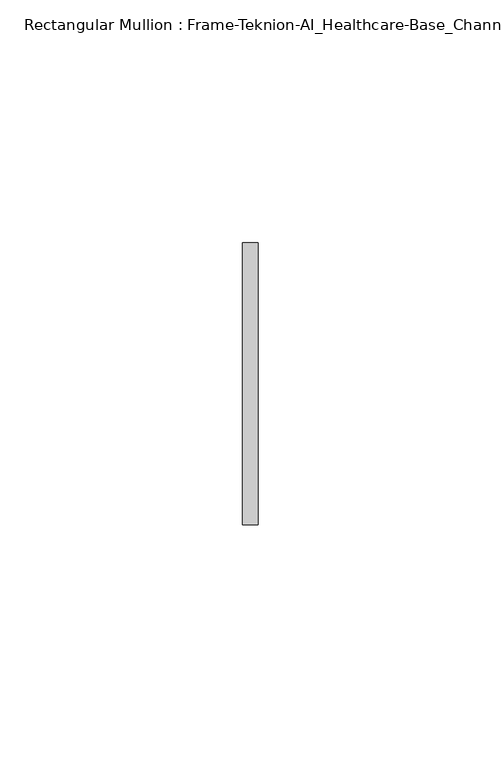
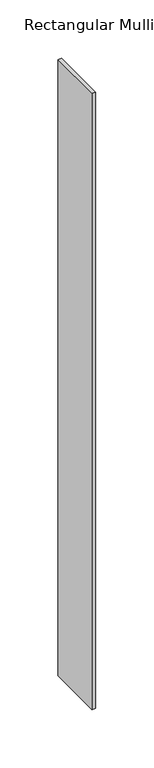
"""IFC4 building model written with IfcOpenShell, lengths in millimetres: member geometry, Rectangular Mullion : Frame-Teknion-AI_Healthcare-Base_Channel."""

from ifc_helpers import new_model, si_unit, frame, origin, place, context, project, spatial, polyline, outline, extrude, source, transform, mapped, element, save


def rectangular_mullion_frame_teknion_ai_healthcare_base_channel_28763dcc(model_context):
    return source(origin(), model_context, "Body", "SweptSolid", [
        extrude(outline(polyline([(0.0, 29.0214844), (0.0, -29.0214844), (-3.175, -29.0214844), (-3.175, 29.0214844), (0.0, 29.0214844)])), frame((0.0, 0.0, -643.2798568), z_axis=(0.0, 0.0, 1.0), x_axis=(1.0, 0.0, 0.0)), (0.0, 0.0, 1.0), 643.2798568),
    ])


if __name__ == "__main__":
    model = new_model("IFC4")
    model_context = context("Model", 3, world=origin())
    ifc_project = project(units=[si_unit("LENGTHUNIT", "METRE", prefix="MILLI")], contexts=[model_context])
    site = spatial("IfcSite", under=ifc_project)
    building = spatial("IfcBuilding", under=site)
    placement = place(None, origin())
    rectangular_mullion_frame_teknion_ai_healthcare_base_channel_shape = rectangular_mullion_frame_teknion_ai_healthcare_base_channel_28763dcc(model_context)
    element("IfcMember", 1, ObjectType="Rectangular Mullion : Frame-Teknion-AI_Healthcare-Base_Channel", at=placement, inside=building, context=model_context, shape_type="MappedRepresentation", body=[
        mapped(rectangular_mullion_frame_teknion_ai_healthcare_base_channel_shape, transform((0.0, 0.0, 0.0), x_axis=(1.0, 0.0, 0.0), y_axis=(0.0, 1.0, 0.0), z_axis=(0.0, 0.0, 1.0))),
    ])
    save(model, "model.ifc")
